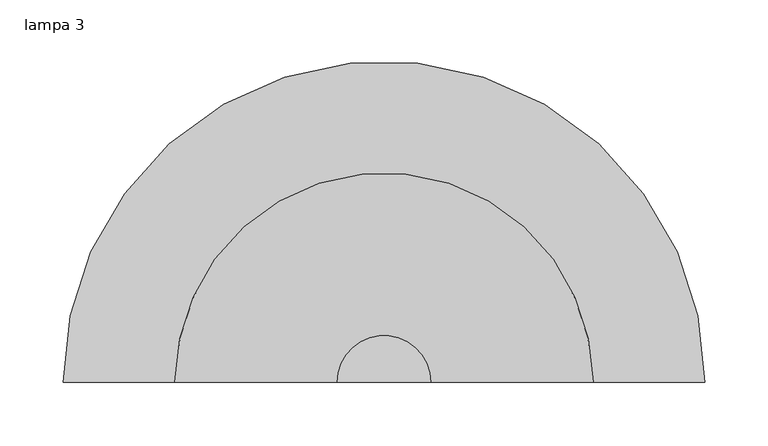
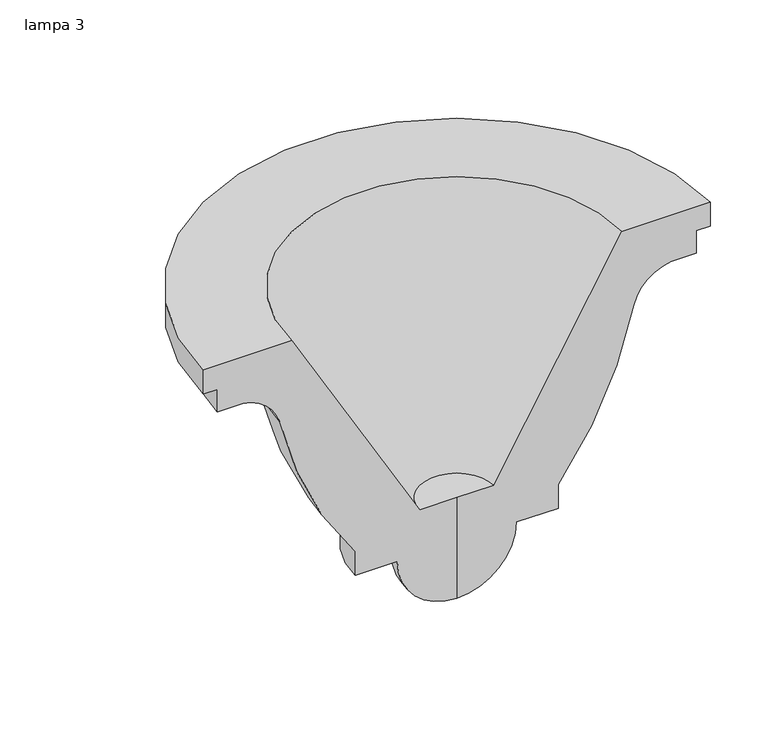
"""IFC4 building model written with IfcOpenShell, lengths in millimetres: light fixture geometry, lampa 3."""

from ifc_helpers import new_model, si_unit, point, frame, origin, place, context, project, spatial, polyline, circle_curve, ellipse_curve, trimmed, source, transform, mapped, element, save
from ifc_brep_helpers import plane_surface, cylinder_surface, revolved_surface, advanced_brep


def lampa_3_c50f7d4e(model_context):
    return source(origin(), model_context, "Body", "AdvancedBrep", [
        advanced_brep(
        [(-59.6253975, 500.0, 1656.4253975), (0.0, 500.0, 1596.8), (0.0, 500.0, 1703.2312633), (-36.9377714, 500.0, 1703.2312633), (-165.2064563, 500.0, 1927.0), (-253.4771672, 500.0, 1927.0), (-253.4771672, 500.0, 1901.6), (-239.5014969, 500.0, 1901.6), (-239.5014969, 500.0, 1877.8911939), (-214.1014969, 500.0, 1877.8911939), (-176.8290931, 500.0, 1845.0182153), (-101.6, 500.0, 1681.8253975), (-101.6, 500.0, 1656.4253975), (59.6253975, 500.0, 1656.4253975), (101.6, 500.0, 1656.4253975), (101.6, 500.0, 1681.8253975), (176.8290931, 500.0, 1845.0182153), (214.1014969, 500.0, 1877.8911939), (239.5014969, 500.0, 1877.8911939), (239.5014969, 500.0, 1901.6), (253.4771672, 500.0, 1901.6), (253.4771672, 500.0, 1927.0), (165.2064563, 500.0, 1927.0), (36.9377714, 500.0, 1703.2312633)],
        [
            (0, 1, circle_curve(frame((0.0, 500.0, 1656.4253975), z_axis=(0.0, -1.0, 0.0), x_axis=(1.0, 0.0, 0.0)), 59.6253975)),
            (1, 2),
            (2, 3),
            (3, 4),
            (4, 5),
            (5, 6),
            (6, 7),
            (7, 8),
            (8, 9),
            (9, 10, circle_curve(frame((-221.0453061, 500.0, 1832.4512939), z_axis=(0.0, 1.0, 0.0), x_axis=(1.0, 0.0, 0.0)), 45.9673906)),
            (10, 11, circle_curve(frame((212.1369552, 500.0, 1925.3888293), z_axis=(0.0, -1.0, 0.0), x_axis=(1.0, 0.0, 0.0)), 397.1826058)),
            (11, 12),
            (12, 0),
            (13, 14),
            (14, 15),
            (15, 16, circle_curve(frame((-212.1369552, 500.0, 1925.3888293), z_axis=(0.0, -1.0, 0.0), x_axis=(-1.0, 0.0, 0.0)), 397.1826058)),
            (16, 17, circle_curve(frame((221.0453061, 500.0, 1832.4512939), z_axis=(0.0, 1.0, 0.0), x_axis=(-1.0, 0.0, 0.0)), 45.9673906)),
            (17, 18),
            (18, 19),
            (19, 20),
            (20, 21),
            (21, 22),
            (22, 23),
            (23, 2),
            (1, 13, circle_curve(frame((0.0, 500.0, 1656.4253975), z_axis=(0.0, -1.0, 0.0), x_axis=(-1.0, 0.0, 0.0)), 59.6253975)),
            (0, 13, circle_curve(frame((0.0, 500.0, 1656.4253975), z_axis=(0.0, 0.0, -1.0), x_axis=(-1.0, 0.0, 0.0)), 59.6253975)),
            (23, 3, circle_curve(frame((0.0, 500.0, 1703.2312633), z_axis=(0.0, 0.0, 1.0), x_axis=(-1.0, 0.0, 0.0)), 36.9377714)),
            (22, 4, circle_curve(frame((0.0, 500.0, 1927.0), z_axis=(0.0, 0.0, 1.0), x_axis=(-1.0, 0.0, 0.0)), 165.2064563)),
            (21, 5, circle_curve(frame((0.0, 500.0, 1927.0), z_axis=(0.0, 0.0, 1.0), x_axis=(-1.0, 0.0, 0.0)), 253.4771672)),
            (20, 6, circle_curve(frame((0.0, 500.0, 1901.6), z_axis=(0.0, 0.0, 1.0), x_axis=(-1.0, 0.0, 0.0)), 253.4771672)),
            (19, 7, circle_curve(frame((0.0, 500.0, 1901.6), z_axis=(0.0, 0.0, 1.0), x_axis=(-1.0, 0.0, 0.0)), 239.5014969)),
            (18, 8, circle_curve(frame((0.0, 500.0, 1877.8911939), z_axis=(0.0, 0.0, 1.0), x_axis=(-1.0, 0.0, 0.0)), 239.5014969)),
            (17, 9, circle_curve(frame((0.0, 500.0, 1877.8911939), z_axis=(0.0, 0.0, 1.0), x_axis=(-1.0, 0.0, 0.0)), 214.1014969)),
            (16, 10, circle_curve(frame((0.0, 500.0, 1845.0182153), z_axis=(0.0, 0.0, 1.0), x_axis=(-1.0, 0.0, 0.0)), 176.8290931)),
            (15, 11, circle_curve(frame((0.0, 500.0, 1681.8253975), z_axis=(0.0, 0.0, 1.0), x_axis=(-1.0, 0.0, 0.0)), 101.6)),
            (14, 12, circle_curve(frame((0.0, 500.0, 1656.4253975), z_axis=(0.0, 0.0, 1.0), x_axis=(-1.0, 0.0, 0.0)), 101.6)),
        ],
        [
            plane_surface(frame((0.0, 500.0, 1836.774367), z_axis=(0.0, -1.0, 0.0), x_axis=(-1.0, 0.0, 0.0))),
            plane_surface(frame((0.0, 500.0, 1836.774367), z_axis=(0.0, -1.0, 0.0), x_axis=(1.0, 0.0, 0.0))),
            revolved_surface(trimmed(ellipse_curve(frame((0.0, 500.0, 1656.4253975), z_axis=(0.0, -1.0, 0.0), x_axis=(1.0, 0.0, 0.0)), 59.6253975, 59.6253975), [point((-59.6253975, 500.0, 1656.4253975))], [point((0.0, 500.0, 1596.8))], True, "CARTESIAN"), (0.0, 500.0, 1836.774367), (0.0, 0.0, -1.0)),
            plane_surface(frame((0.0, 500.0, 1703.2312633), z_axis=(0.0, 0.0, 1.0), x_axis=(-1.0, 0.0, 0.0))),
            revolved_surface(polyline([(-36.9377714, 500.0, 1703.2312633), (-165.2064563, 500.0, 1927.0)]), (0.0, 500.0, 1836.774367), (0.0, 0.0, -1.0)),
            plane_surface(frame((0.0, 500.0, 1927.0), z_axis=(0.0, 0.0, 1.0), x_axis=(-1.0, 0.0, 0.0))),
            cylinder_surface(frame((0.0, 500.0, 1836.774367), z_axis=(0.0, 0.0, -1.0), x_axis=(-1.0, 0.0, 0.0)), 253.4771672),
            plane_surface(frame((0.0, 500.0, 1901.6), z_axis=(0.0, 0.0, -1.0), x_axis=(-1.0, 0.0, 0.0))),
            cylinder_surface(frame((0.0, 500.0, 1836.774367), z_axis=(0.0, 0.0, -1.0), x_axis=(-1.0, 0.0, 0.0)), 239.5014969),
            plane_surface(frame((0.0, 500.0, 1877.8911939), z_axis=(0.0, 0.0, -1.0), x_axis=(-1.0, 0.0, 0.0))),
            revolved_surface(trimmed(ellipse_curve(frame((-221.0453061, 500.0, 1832.4512939), z_axis=(0.0, 1.0, 0.0), x_axis=(1.0, 0.0, 0.0)), 45.9673906, 45.9673906), [point((-214.1014969, 500.0, 1877.8911939))], [point((-176.8290931, 500.0, 1845.0182153))], True, "CARTESIAN"), (0.0, 500.0, 1836.774367), (0.0, 0.0, -1.0)),
            revolved_surface(trimmed(ellipse_curve(frame((212.1369552, 500.0, 1925.3888293), z_axis=(0.0, -1.0, 0.0), x_axis=(1.0, 0.0, 0.0)), 397.1826058, 397.1826058), [point((-176.8290931, 500.0, 1845.0182153))], [point((-101.6, 500.0, 1681.8253975))], True, "CARTESIAN"), (0.0, 500.0, 1836.774367), (0.0, 0.0, -1.0)),
            cylinder_surface(frame((0.0, 500.0, 1836.774367), z_axis=(0.0, 0.0, -1.0), x_axis=(-1.0, 0.0, 0.0)), 101.6),
            plane_surface(frame((0.0, 500.0, 1656.4253975), z_axis=(0.0, 0.0, -1.0), x_axis=(-1.0, 0.0, 0.0))),
        ],
        [
            (0, [[1, 2, 3, 4, 5, 6, 7, 8, 9, 10, 11, 12, 13]]),
            (1, [[14, 15, 16, 17, 18, 19, 20, 21, 22, 23, 24, -2, 25]]),
            (2, [[-1, 26, -25]]),
            (3, [[27, -3, -24]]),
            (4, [[28, -4, -27, -23]]),
            (5, [[29, -5, -28, -22]]),
            (6, [[30, -6, -29, -21]]),
            (7, [[31, -7, -30, -20]]),
            (8, [[32, -8, -31, -19]]),
            (9, [[33, -9, -32, -18]]),
            (10, [[34, -10, -33, -17]]),
            (11, [[35, -11, -34, -16]]),
            (12, [[36, -12, -35, -15]]),
            (13, [[-26, -13, -36, -14]]),
        ],
    ),
    ])


if __name__ == "__main__":
    model = new_model("IFC4")
    model_context = context("Model", 3, world=origin())
    ifc_project = project(units=[si_unit("LENGTHUNIT", "METRE", prefix="MILLI")], contexts=[model_context])
    site = spatial("IfcSite", under=ifc_project)
    building = spatial("IfcBuilding", under=site)
    placement = place(None, origin())
    lampa_3_shape = lampa_3_c50f7d4e(model_context)
    element("IfcLightFixture", 1, ObjectType="lampa 3", at=placement, inside=building, context=model_context, shape_type="MappedRepresentation", body=[
        mapped(lampa_3_shape, transform((0.0, 0.0, 0.0), x_axis=(1.0, 0.0, 0.0), y_axis=(0.0, 1.0, 0.0), z_axis=(0.0, 0.0, 1.0))),
    ])
    save(model, "model.ifc")
